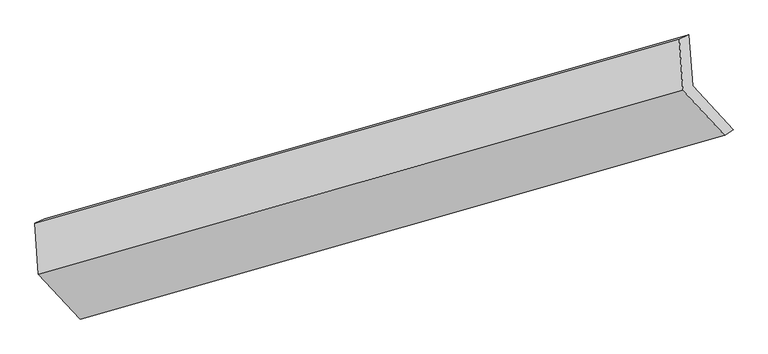
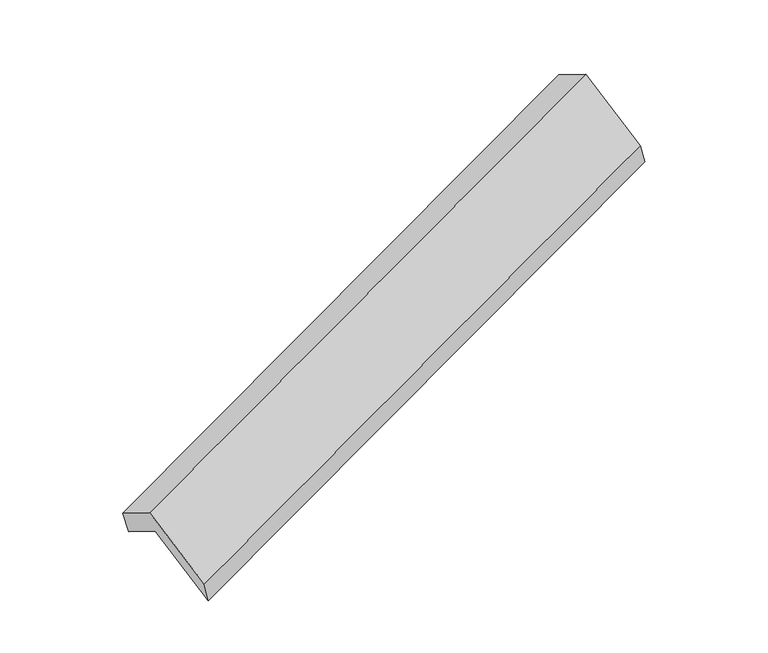
"""IFC4 building model written with IfcOpenShell, lengths in millimetres: proxy geometry."""

from ifc_helpers import new_model, si_unit, origin, place, context, project, spatial, faceted_brep, source, transform, mapped, element, save


def generic_models_e5b69f80(model_context):
    return source(origin(), model_context, "Body", "Brep", [
        faceted_brep([(-5075.1398102, -2121.1493399, 1279.800416), (-5099.0331385, -1779.2855473, 1076.4381785), (-774.7752737, -547.3944052, 2658.8509956), (-750.8819454, -889.2581978, 2862.2132332), (-5163.4013221, -1809.9911351, 1279.2387604), (-839.1434573, -578.099993, 2861.6515775), (-5139.5079939, -2151.8549277, 1482.6009979), (-815.250129, -919.9637856, 3065.0138151), (-4858.9587525, -2453.65132, 942.3015024), (-534.7008877, -1221.7601778, 2524.7143196), (-4802.8481583, -2414.0627614, 755.4039092), (-478.5902935, -1182.1716193, 2337.8167263)], [[[0, 1, 2, 3]], [[1, 4, 5, 2]], [[4, 6, 7, 5]], [[6, 8, 9, 7]], [[8, 10, 11, 9]], [[10, 0, 3, 11]], [[9, 11, 3, 2, 5, 7]], [[0, 10, 8, 6, 4, 1]]]),
    ])


if __name__ == "__main__":
    model = new_model("IFC4")
    model_context = context("Model", 3, world=origin())
    ifc_project = project(units=[si_unit("LENGTHUNIT", "METRE", prefix="MILLI")], contexts=[model_context])
    site = spatial("IfcSite", under=ifc_project)
    building = spatial("IfcBuilding", under=site)
    placement = place(None, origin())
    generic_models_shape = generic_models_e5b69f80(model_context)
    element("IfcBuildingElementProxy", 1, Name="Generic Models", at=placement, inside=building, context=model_context, shape_type="MappedRepresentation", body=[
        mapped(generic_models_shape, transform((0.0, 0.0, 0.0), x_axis=(1.0, 0.0, 0.0), y_axis=(0.0, 1.0, 0.0), z_axis=(0.0, 0.0, 1.0))),
    ])
    save(model, "model.ifc")
